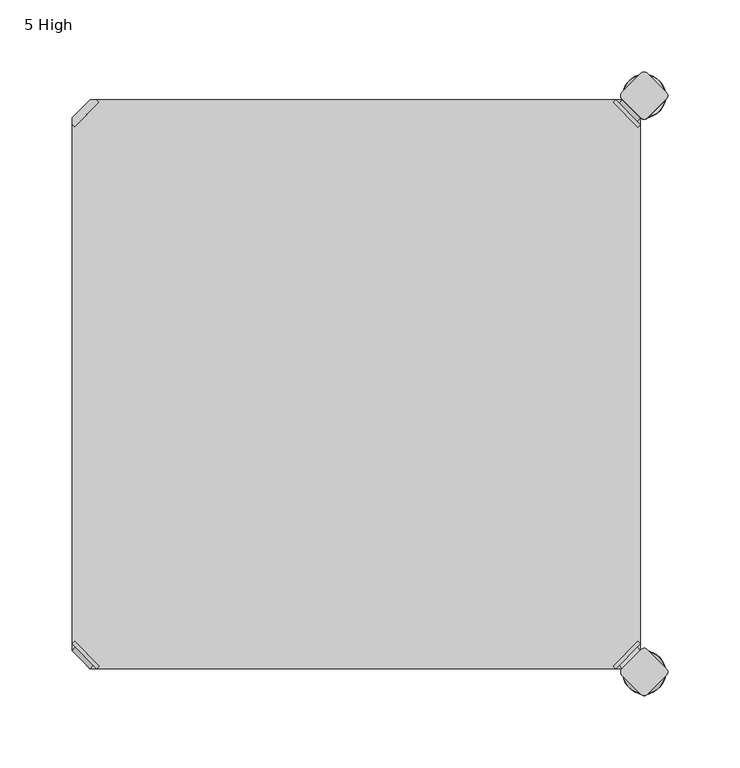
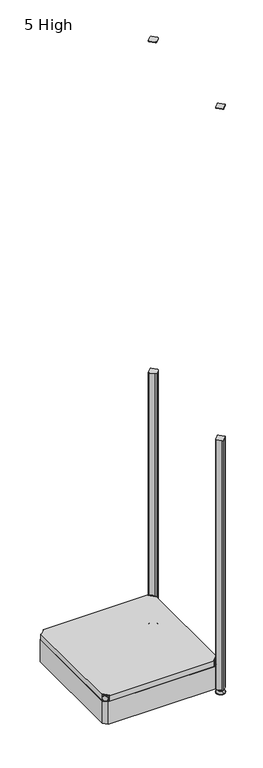
"""IFC4 building model written with IfcOpenShell, lengths in millimetres: furniture geometry, 5 High."""

from ifc_helpers import new_model, si_unit, point, frame, frame_2d, origin, place, context, project, spatial, polyline, circle_curve, ellipse_curve, trimmed, segment, composite_curve, outline, extrude, source, transform, mapped, element, save
from ifc_brep_helpers import plane_surface, cylinder_surface, revolved_surface, advanced_brep


def furniture_5_high_1711bbdc(model_context):
    return source(origin(), model_context, "Body", "SolidModel", [
        advanced_brep(
        [(397.51, 380.2870969, 118.9736), (380.2870969, 397.51, 118.9736), (378.4910456, 395.7139488, 118.9736), (395.7139488, 378.4910456, 118.9736), (397.51, 380.2870969, 97.6376), (380.2870969, 397.51, 97.6376), (395.1847277, 382.6123691, 108.8136), (382.6123691, 395.1847277, 108.8136), (369.7579478, 352.5350447, 98.6536), (395.7139488, 378.4910456, 98.6536), (378.4910456, 395.7139488, 98.6536), (352.5350447, 369.7579478, 98.6536), (369.7579478, 352.5350447, 97.6376), (352.5350447, 369.7579478, 97.6376), (384.9272487, 397.4996073, 108.8136), (397.4996073, 384.9272487, 108.8136)],
        [
            (0, 1),
            (1, 2),
            (2, 3),
            (3, 0),
            (0, 4),
            (4, 5),
            (5, 1),
            (6, 7, circle_curve(frame((388.8985484, 388.8985484, 108.8136), z_axis=(-0.7071067811865446, -0.7071067811865505, 0.0), x_axis=(0.7071067811865505, -0.7071067811865446, 0.0)), 8.89)),
            (7, 6, circle_curve(frame((388.8985484, 388.8985484, 108.8136), z_axis=(-0.7071067811865446, -0.7071067811865505, 0.0), x_axis=(0.7071067811865505, -0.7071067811865446, 0.0)), 8.89)),
            (8, 9),
            (9, 10),
            (10, 11),
            (11, 8, circle_curve(frame((361.1464963, 361.1464963, 98.6536), z_axis=(0.0, 0.0, 1.0), x_axis=(-1.0, 0.0, 0.0)), 12.1784316)),
            (12, 13, circle_curve(frame((361.1464963, 361.1464963, 97.6376), z_axis=(0.0, 0.0, -1.0), x_axis=(-1.0, 0.0, 0.0)), 12.1784316)),
            (13, 5),
            (4, 12),
            (14, 15, circle_curve(frame((391.213428, 391.213428, 108.8136), z_axis=(0.7071067811865446, 0.7071067811865505, 0.0), x_axis=(0.7071067811865505, -0.7071067811865446, 0.0)), 8.89)),
            (15, 14, circle_curve(frame((391.213428, 391.213428, 108.8136), z_axis=(0.7071067811865446, 0.7071067811865505, 0.0), x_axis=(0.7071067811865505, -0.7071067811865446, 0.0)), 8.89)),
            (15, 6),
            (7, 14),
            (2, 10),
            (9, 3),
            (11, 13),
            (12, 8),
        ],
        [
            plane_surface(frame((419.7079872, 402.485084, 118.9736), z_axis=(0.0, 0.0, 1.0000000000000002), x_axis=(-0.7071067811865436, -0.7071067811865516, 0.0))),
            plane_surface(frame((380.2870969, 397.51, 118.9736), z_axis=(0.7071067811865447, 0.7071067811865503, 0.0), x_axis=(0.0, 0.0, -1.0))),
            plane_surface(frame((348.9680647, 361.1464963, 98.6536), z_axis=(0.0, 0.0, 1.0), x_axis=(0.0, 1.0, 0.0))),
            plane_surface(frame((348.9680647, 361.1464963, 97.6376), z_axis=(0.0, 0.0, -1.0), x_axis=(0.0, -1.0, 0.0))),
            plane_surface(frame((397.4996073, 384.9272487, 108.8136), z_axis=(0.7071067811865446, 0.7071067811865505, 0.0), x_axis=(0.0, 0.0, 1.0))),
            cylinder_surface(frame((388.8985484, 388.8985484, 108.8136), z_axis=(0.7071067811865446, 0.7071067811865505, 0.0), x_axis=(0.7071067811865505, -0.7071067811865446, 0.0)), 8.89),
            plane_surface(frame((395.7139488, 378.4910456, 118.9736), z_axis=(-0.7071067811865447, -0.7071067811865503, 0.0), x_axis=(0.0, 0.0, -1.0))),
            cylinder_surface(frame((361.1464963, 361.1464963, 97.6376), z_axis=(0.0, 0.0, 1.0), x_axis=(-1.0, 0.0, 0.0)), 12.1784316),
            plane_surface(frame((397.51, 380.2870969, 118.9736), z_axis=(0.7071067811865516, -0.7071067811865436, 0.0), x_axis=(0.0, 0.0, -1.0))),
            plane_surface(frame((378.4910456, 395.7139488, 118.9736), z_axis=(-0.7071067811865513, 0.7071067811865437, 0.0), x_axis=(0.0, 0.0, -1.0))),
        ],
        [
            (0, [[1, 2, 3, 4]]),
            (1, [[5, 6, 7, -1], [8, 9]]),
            (2, [[10, 11, 12, 13]]),
            (3, [[14, 15, -6, 16]]),
            (4, [[17, 18]]),
            (5, [[19, -9, 20, -18]]),
            (5, [[-20, -8, -19, -17]]),
            (6, [[21, -11, 22, -3]]),
            (7, [[23, -14, 24, -13]]),
            (8, [[-22, -10, -24, -16, -5, -4]]),
            (9, [[-7, -15, -23, -12, -21, -2]]),
        ],
    ),
        advanced_brep(
        [(397.51, 19.7629031, 118.9736), (395.7139488, 21.5589544, 118.9736), (378.4910456, 4.3360512, 118.9736), (380.2870969, 2.54, 118.9736), (380.2870969, 2.54, 97.6376), (397.51, 19.7629031, 97.6376), (395.1847277, 17.4376309, 108.8136), (382.6123691, 4.8652723, 108.8136), (369.7579478, 47.5149553, 98.6536), (352.5350447, 30.2920522, 98.6536), (378.4910456, 4.3360512, 98.6536), (395.7139488, 21.5589544, 98.6536), (369.7579478, 47.5149553, 97.6376), (352.5350447, 30.2920522, 97.6376), (384.9272487, 2.5503927, 108.8136), (397.4996073, 15.1227513, 108.8136)],
        [
            (0, 1),
            (1, 2),
            (2, 3),
            (3, 0),
            (3, 4),
            (4, 5),
            (5, 0),
            (6, 7, circle_curve(frame((388.8985484, 11.1514516, 108.8136), z_axis=(-0.7071067811865469, 0.7071067811865481, 0.0), x_axis=(0.7071067811865481, 0.7071067811865469, 0.0)), 8.89)),
            (7, 6, circle_curve(frame((388.8985484, 11.1514516, 108.8136), z_axis=(-0.7071067811865469, 0.7071067811865481, 0.0), x_axis=(0.7071067811865481, 0.7071067811865469, 0.0)), 8.89)),
            (8, 9, circle_curve(frame((361.1464963, 38.9035037, 98.6536), z_axis=(0.0, 0.0, 1.0), x_axis=(-1.0, 0.0, 0.0)), 12.1784316)),
            (9, 10),
            (10, 11),
            (11, 8),
            (12, 5),
            (4, 13),
            (13, 12, circle_curve(frame((361.1464963, 38.9035037, 97.6376), z_axis=(0.0, 0.0, -1.0), x_axis=(-1.0, 0.0, 0.0)), 12.1784316)),
            (14, 15, circle_curve(frame((391.213428, 8.836572, 108.8136), z_axis=(0.7071067811865469, -0.7071067811865481, 0.0), x_axis=(0.7071067811865481, 0.7071067811865469, 0.0)), 8.89)),
            (15, 14, circle_curve(frame((391.213428, 8.836572, 108.8136), z_axis=(0.7071067811865469, -0.7071067811865481, 0.0), x_axis=(0.7071067811865481, 0.7071067811865469, 0.0)), 8.89)),
            (14, 7),
            (6, 15),
            (1, 11),
            (10, 2),
            (8, 12),
            (13, 9),
        ],
        [
            plane_surface(frame((419.7079872, -2.435084, 118.9736), z_axis=(0.0, 0.0, 1.0000000000000002), x_axis=(-0.7071067811865459, 0.7071067811865492, 0.0))),
            plane_surface(frame((380.2870969, 2.54, 118.9736), z_axis=(0.707106781186547, -0.707106781186548, 0.0), x_axis=(0.0, 0.0, -1.0))),
            plane_surface(frame((348.9680647, 38.9035037, 98.6536), z_axis=(0.0, 0.0, 1.0), x_axis=(0.0, -1.0, 0.0))),
            plane_surface(frame((348.9680647, 38.9035037, 97.6376), z_axis=(0.0, 0.0, -1.0), x_axis=(0.0, 1.0, 0.0))),
            plane_surface(frame((397.4996073, 15.1227513, 108.8136), z_axis=(0.7071067811865469, -0.7071067811865481, 0.0), x_axis=(0.0, 0.0, 1.0))),
            cylinder_surface(frame((388.8985484, 11.1514516, 108.8136), z_axis=(0.7071067811865469, -0.7071067811865481, 0.0), x_axis=(0.7071067811865481, 0.7071067811865469, 0.0)), 8.89),
            plane_surface(frame((395.7139488, 21.5589544, 118.9736), z_axis=(-0.707106781186547, 0.707106781186548, 0.0), x_axis=(0.0, 0.0, -1.0))),
            cylinder_surface(frame((361.1464963, 38.9035037, 97.6376), z_axis=(0.0, 0.0, 1.0), x_axis=(-1.0, 0.0, 0.0)), 12.1784316),
            plane_surface(frame((397.51, 19.7629031, 118.9736), z_axis=(0.7071067811865492, 0.7071067811865459, 0.0), x_axis=(0.0, 0.0, -1.0))),
            plane_surface(frame((378.4910456, 4.3360512, 118.9736), z_axis=(-0.707106781186549, -0.707106781186546, 0.0), x_axis=(0.0, 0.0, -1.0))),
        ],
        [
            (0, [[1, 2, 3, 4]]),
            (1, [[-4, 5, 6, 7], [8, 9]]),
            (2, [[10, 11, 12, 13]]),
            (3, [[14, -6, 15, 16]]),
            (4, [[17, 18]]),
            (5, [[-17, 19, -8, 20]]),
            (5, [[-18, -20, -9, -19]]),
            (6, [[-2, 21, -12, 22]]),
            (7, [[-10, 23, -16, 24]]),
            (8, [[-1, -7, -14, -23, -13, -21]]),
            (9, [[-3, -22, -11, -24, -15, -5]]),
        ],
    ),
        advanced_brep(
        [(2.54, 19.7629031, 118.9736), (19.7629031, 2.54, 118.9736), (21.5589544, 4.3360512, 118.9736), (4.3360512, 21.5589544, 118.9736), (2.54, 19.7629031, 97.6376), (19.7629031, 2.54, 97.6376), (4.8652723, 17.4376309, 108.8136), (17.4376309, 4.8652723, 108.8136), (30.2920522, 47.5149553, 98.6536), (4.3360512, 21.5589544, 98.6536), (21.5589544, 4.3360512, 98.6536), (47.5149553, 30.2920522, 98.6536), (30.2920522, 47.5149553, 97.6376), (47.5149553, 30.2920522, 97.6376), (15.1227513, 2.5503927, 108.8136), (2.5503927, 15.1227513, 108.8136)],
        [
            (0, 1),
            (1, 2),
            (2, 3),
            (3, 0),
            (0, 4),
            (4, 5),
            (5, 1),
            (6, 7, circle_curve(frame((11.1514516, 11.1514516, 108.8136), z_axis=(0.7071067811865469, 0.7071067811865481, 0.0), x_axis=(-0.7071067811865481, 0.7071067811865469, 0.0)), 8.89)),
            (7, 6, circle_curve(frame((11.1514516, 11.1514516, 108.8136), z_axis=(0.7071067811865469, 0.7071067811865481, 0.0), x_axis=(-0.7071067811865481, 0.7071067811865469, 0.0)), 8.89)),
            (8, 9),
            (9, 10),
            (10, 11),
            (11, 8, circle_curve(frame((38.9035037, 38.9035037, 98.6536), z_axis=(0.0, 0.0, 1.0), x_axis=(1.0, 0.0, 0.0)), 12.1784316)),
            (12, 13, circle_curve(frame((38.9035037, 38.9035037, 97.6376), z_axis=(0.0, 0.0, -1.0), x_axis=(1.0, 0.0, 0.0)), 12.1784316)),
            (13, 5),
            (4, 12),
            (14, 15, circle_curve(frame((8.836572, 8.836572, 108.8136), z_axis=(-0.7071067811865469, -0.7071067811865481, 0.0), x_axis=(-0.7071067811865481, 0.7071067811865469, 0.0)), 8.89)),
            (15, 14, circle_curve(frame((8.836572, 8.836572, 108.8136), z_axis=(-0.7071067811865469, -0.7071067811865481, 0.0), x_axis=(-0.7071067811865481, 0.7071067811865469, 0.0)), 8.89)),
            (15, 6),
            (7, 14),
            (2, 10),
            (9, 3),
            (11, 13),
            (12, 8),
        ],
        [
            plane_surface(frame((-19.6579872, -2.435084, 118.9736), z_axis=(0.0, 0.0, 1.0000000000000002), x_axis=(0.7071067811865459, 0.7071067811865492, 0.0))),
            plane_surface(frame((19.7629031, 2.54, 118.9736), z_axis=(-0.707106781186547, -0.707106781186548, 0.0), x_axis=(0.0, 0.0, -1.0))),
            plane_surface(frame((51.0819353, 38.9035037, 98.6536), z_axis=(0.0, 0.0, 1.0), x_axis=(0.0, -1.0, 0.0))),
            plane_surface(frame((51.0819353, 38.9035037, 97.6376), z_axis=(0.0, 0.0, -1.0), x_axis=(0.0, 1.0, 0.0))),
            plane_surface(frame((2.5503927, 15.1227513, 108.8136), z_axis=(-0.7071067811865469, -0.7071067811865481, 0.0), x_axis=(0.0, 0.0, 1.0))),
            cylinder_surface(frame((11.1514516, 11.1514516, 108.8136), z_axis=(-0.7071067811865469, -0.7071067811865481, 0.0), x_axis=(-0.7071067811865481, 0.7071067811865469, 0.0)), 8.89),
            plane_surface(frame((4.3360512, 21.5589544, 118.9736), z_axis=(0.707106781186547, 0.707106781186548, 0.0), x_axis=(0.0, 0.0, -1.0))),
            cylinder_surface(frame((38.9035037, 38.9035037, 97.6376), z_axis=(0.0, 0.0, 1.0), x_axis=(1.0, 0.0, 0.0)), 12.1784316),
            plane_surface(frame((2.54, 19.7629031, 118.9736), z_axis=(-0.7071067811865492, 0.7071067811865459, 0.0), x_axis=(0.0, 0.0, -1.0))),
            plane_surface(frame((21.5589544, 4.3360512, 118.9736), z_axis=(0.707106781186549, -0.707106781186546, 0.0), x_axis=(0.0, 0.0, -1.0))),
        ],
        [
            (0, [[1, 2, 3, 4]]),
            (1, [[5, 6, 7, -1], [8, 9]]),
            (2, [[10, 11, 12, 13]]),
            (3, [[14, 15, -6, 16]]),
            (4, [[17, 18]]),
            (5, [[19, -9, 20, -18]]),
            (5, [[-20, -8, -19, -17]]),
            (6, [[21, -11, 22, -3]]),
            (7, [[23, -14, 24, -13]]),
            (8, [[-22, -10, -24, -16, -5, -4]]),
            (9, [[-7, -15, -23, -12, -21, -2]]),
        ],
    ),
        extrude(outline(polyline([(19.7629031, 2.54), (21.5589544, 4.3360512), (4.3360512, 21.5589544), (2.54, 19.7629031), (2.54, 380.2870969), (4.3360512, 378.4910456), (21.5589544, 395.7139488), (19.7629031, 397.51), (380.2870969, 397.51), (378.4910456, 395.7139488), (395.7139488, 378.4910456), (397.51, 380.2870969), (397.51, 19.7629031), (395.7139488, 21.5589544), (378.4910456, 4.3360512), (380.2870969, 2.54), (19.7629031, 2.54)])), frame((0.0, 0.0, 98.6536), z_axis=(0.0, 0.0, 1.0), x_axis=(1.0, 0.0, 0.0)), (0.0, 0.0, 1.0), 20.32),
        extrude(outline(composite_curve([segment(polyline([(402.295064, 15.4326055), (415.4826055, 2.245064)]), True, "CONTINUOUS"), segment(trimmed(circle_curve(frame_2d((413.2375415, 0.0)), 3.175), [point((415.4826055, 2.245064))], [point((415.4826055, -2.245064))], False, "CARTESIAN"), True, "CONTINUOUS"), segment(polyline([(415.4826055, -2.245064), (402.295064, -15.4326055)]), True, "CONTINUOUS"), segment(trimmed(circle_curve(frame_2d((400.05, -13.1875415)), 3.175), [point((402.295064, -15.4326055))], [point((397.804936, -15.4326055))], False, "CARTESIAN"), True, "CONTINUOUS"), segment(polyline([(397.804936, -15.4326055), (384.6173945, -2.245064)]), True, "CONTINUOUS"), segment(trimmed(circle_curve(frame_2d((386.8624585, 0.0)), 3.175), [point((384.6173945, -2.245064))], [point((384.6173945, 2.245064))], False, "CARTESIAN"), True, "CONTINUOUS"), segment(polyline([(384.6173945, 2.245064), (397.804936, 15.4326055)]), True, "CONTINUOUS"), segment(trimmed(circle_curve(frame_2d((400.05, 13.1875415)), 3.175), [point((397.804936, 15.4326055))], [point((402.295064, 15.4326055))], False, "CARTESIAN"), True, "CONTINUOUS")], self_intersect=False)), frame((0.0, 0.0, 2127.25), z_axis=(0.0, 0.0, 1.0), x_axis=(1.0, 0.0, 0.0)), (0.0, 0.0, 1.0), 2.032),
        extrude(outline(composite_curve([segment(trimmed(circle_curve(frame_2d((400.05, 386.8624585)), 3.175), [point((402.295064, 384.6173945))], [point((397.804936, 384.6173945))], False, "CARTESIAN"), True, "CONTINUOUS"), segment(polyline([(397.804936, 384.6173945), (384.6173945, 397.804936)]), True, "CONTINUOUS"), segment(trimmed(circle_curve(frame_2d((386.8624585, 400.05)), 3.175), [point((384.6173945, 397.804936))], [point((384.6173945, 402.295064))], False, "CARTESIAN"), True, "CONTINUOUS"), segment(polyline([(384.6173945, 402.295064), (397.804936, 415.4826055)]), True, "CONTINUOUS"), segment(trimmed(circle_curve(frame_2d((400.05, 413.2375415)), 3.175), [point((397.804936, 415.4826055))], [point((402.295064, 415.4826055))], False, "CARTESIAN"), True, "CONTINUOUS"), segment(polyline([(402.295064, 415.4826055), (415.4826055, 402.295064)]), True, "CONTINUOUS"), segment(trimmed(circle_curve(frame_2d((413.2375415, 400.05)), 3.175), [point((415.4826055, 402.295064))], [point((415.4826055, 397.804936))], False, "CARTESIAN"), True, "CONTINUOUS"), segment(polyline([(415.4826055, 397.804936), (402.295064, 384.6173945)]), True, "CONTINUOUS")], self_intersect=False)), frame((0.0, 0.0, 2127.25), z_axis=(0.0, 0.0, 1.0), x_axis=(1.0, 0.0, 0.0)), (0.0, 0.0, 1.0), 2.032),
        extrude(outline(polyline([(2.54, 384.9123305), (15.1376695, 397.51), (384.9123305, 397.51), (397.51, 384.9123305), (397.51, 15.1376695), (384.9123305, 2.54), (15.1376695, 2.54), (2.54, 15.1376695), (2.54, 384.9123305)]), holes=[polyline([(12.7, 15.748), (387.35, 15.748), (387.35, 387.35), (12.7, 387.35), (12.7, 15.748)])]), frame((0.0, 0.0, 15.9766), z_axis=(0.0, 0.0, 1.0), x_axis=(1.0, 0.0, 0.0)), (0.0, 0.0, 1.0), 81.28),
        advanced_brep(
        [(400.05, -3.999659, 15.9766), (400.05, 0.0, 15.9766), (400.05, 3.999659, 15.9766), (400.05, -3.999659, 12.6000054), (400.05, 3.999659, 12.6000054), (400.05, -5.8601455, 12.6000054), (400.05, 5.8601455, 12.6000054), (400.05, -6.4951462, 11.9650074), (400.05, 6.4951462, 11.9650074), (400.05, -6.4951462, 9.0000124), (400.05, 6.4951462, 9.0000124), (400.05, -8.7421976, 9.0000124), (400.05, 8.7421976, 9.0000124), (400.05, -14.7060077, 2.3275608), (400.05, 14.7060077, 2.3275608), (400.05, -13.664601, 0.0), (400.05, 13.664601, 0.0), (400.05, 0.0, 0.0)],
        [
            (0, 1),
            (1, 2),
            (2, 0, circle_curve(frame((400.05, 0.0, 15.9766), z_axis=(0.0, 0.0, 1.0), x_axis=(0.0, 1.0, 0.0)), 3.999659)),
            (0, 2, circle_curve(frame((400.05, 0.0, 15.9766), z_axis=(0.0, 0.0, 1.0), x_axis=(0.0, 1.0, 0.0)), 3.999659)),
            (3, 0),
            (2, 4),
            (4, 3, circle_curve(frame((400.05, 0.0, 12.6000054), z_axis=(0.0, 0.0, 1.0), x_axis=(0.0, 1.0, 0.0)), 3.999659)),
            (3, 4, circle_curve(frame((400.05, 0.0, 12.6000054), z_axis=(0.0, 0.0, 1.0), x_axis=(0.0, 1.0, 0.0)), 3.999659)),
            (5, 3),
            (4, 6),
            (6, 5, circle_curve(frame((400.05, 0.0, 12.6000054), z_axis=(0.0, 0.0, 1.0), x_axis=(0.0, 1.0, 0.0)), 5.8601455)),
            (5, 6, circle_curve(frame((400.05, 0.0, 12.6000054), z_axis=(0.0, 0.0, 1.0), x_axis=(0.0, 1.0, 0.0)), 5.8601455)),
            (7, 5, circle_curve(frame((400.05, -5.8601462, 11.9650074), z_axis=(-1.0, 0.0, 0.0), x_axis=(0.0, -1.0, 0.0)), 0.635)),
            (6, 8, circle_curve(frame((400.05, 5.8601462, 11.9650074), z_axis=(-1.0, 0.0, 0.0), x_axis=(0.0, 1.0, 0.0)), 0.635)),
            (8, 7, circle_curve(frame((400.05, 0.0, 11.9650074), z_axis=(0.0, 0.0, 1.0), x_axis=(0.0, 1.0, 0.0)), 6.4951462)),
            (7, 8, circle_curve(frame((400.05, 0.0, 11.9650074), z_axis=(0.0, 0.0, 1.0), x_axis=(0.0, 1.0, 0.0)), 6.4951462)),
            (9, 7),
            (8, 10),
            (10, 9, circle_curve(frame((400.05, 0.0, 9.0000124), z_axis=(0.0, 0.0, 1.0), x_axis=(0.0, 1.0, 0.0)), 6.4951462)),
            (9, 10, circle_curve(frame((400.05, 0.0, 9.0000124), z_axis=(0.0, 0.0, 1.0), x_axis=(0.0, 1.0, 0.0)), 6.4951462)),
            (11, 9),
            (10, 12),
            (12, 11, circle_curve(frame((400.05, 0.0, 9.0000124), z_axis=(0.0, 0.0, 1.0), x_axis=(0.0, 1.0, 0.0)), 8.7421976)),
            (11, 12, circle_curve(frame((400.05, 0.0, 9.0000124), z_axis=(0.0, 0.0, 1.0), x_axis=(0.0, 1.0, 0.0)), 8.7421976)),
            (13, 11),
            (12, 14),
            (14, 13, circle_curve(frame((400.05, 0.0, 2.3275608), z_axis=(0.0, 0.0, 1.0), x_axis=(0.0, 1.0, 0.0)), 14.7060077)),
            (13, 14, circle_curve(frame((400.05, 0.0, 2.3275608), z_axis=(0.0, 0.0, 1.0), x_axis=(0.0, 1.0, 0.0)), 14.7060077)),
            (15, 13, circle_curve(frame((400.05, -13.664601, 1.3967556), z_axis=(-1.0, 0.0, 0.0), x_axis=(0.0, -1.0, 0.0)), 1.3967556)),
            (14, 16, circle_curve(frame((400.05, 13.664601, 1.3967556), z_axis=(-1.0, 0.0, 0.0), x_axis=(0.0, 1.0, 0.0)), 1.3967556)),
            (16, 15, circle_curve(frame((400.05, 0.0, 0.0), z_axis=(0.0, 0.0, 1.0), x_axis=(0.0, 1.0, 0.0)), 13.664601)),
            (15, 16, circle_curve(frame((400.05, 0.0, 0.0), z_axis=(0.0, 0.0, 1.0), x_axis=(0.0, 1.0, 0.0)), 13.664601)),
            (17, 15),
            (16, 17),
        ],
        [
            plane_surface(frame((400.05, 0.0, 15.9766), z_axis=(0.0, 0.0, 1.0), x_axis=(0.0, 1.0, 0.0))),
            cylinder_surface(frame((400.05, 0.0, -4.132372), z_axis=(0.0, 0.0, -1.0), x_axis=(0.0, 1.0, 0.0)), 3.999659),
            plane_surface(frame((400.05, 0.0, 12.6000054), z_axis=(0.0, 0.0, 1.0), x_axis=(0.0, 1.0, 0.0))),
            revolved_surface(trimmed(ellipse_curve(frame((400.05, 5.8601462, 11.9650074), z_axis=(-1.0, 0.0, 0.0), x_axis=(0.0, 1.0, 0.0)), 0.635, 0.635), [point((400.05, 5.8601455, 12.6000074))], [point((400.05, 6.4951462, 11.9650074))], True, "CARTESIAN"), (400.05, 0.0, -4.132372), (0.0, 0.0, -1.0)),
            cylinder_surface(frame((400.05, 0.0, -4.132372), z_axis=(0.0, 0.0, -1.0), x_axis=(0.0, 1.0, 0.0)), 6.4951462),
            plane_surface(frame((400.05, 0.0, 9.0000124), z_axis=(0.0, 0.0, 1.0), x_axis=(0.0, 1.0, 0.0))),
            revolved_surface(polyline([(400.05, 8.7421976, 9.0000124), (400.05, 14.7060077, 2.3275608)]), (400.05, 0.0, -4.132372), (0.0, 0.0, -1.0)),
            revolved_surface(trimmed(ellipse_curve(frame((400.05, 13.664601, 1.3967556), z_axis=(-1.0, 0.0, 0.0), x_axis=(0.0, 1.0, 0.0)), 1.3967556, 1.3967556), [point((400.05, 14.7060077, 2.3275608))], [point((400.05, 13.664601, 0.0))], True, "CARTESIAN"), (400.05, 0.0, -4.132372), (0.0, 0.0, -1.0)),
            plane_surface(frame((400.05, 0.0, 0.0), z_axis=(0.0, 0.0, -1.0), x_axis=(0.0, 1.0, 0.0))),
        ],
        [
            (0, [[1, 2, 3]]),
            (0, [[-2, -1, 4]]),
            (1, [[5, -3, 6, 7]]),
            (1, [[-6, -4, -5, 8]]),
            (2, [[9, -7, 10, 11]]),
            (2, [[-10, -8, -9, 12]]),
            (3, [[13, -11, 14, 15]]),
            (3, [[-14, -12, -13, 16]]),
            (4, [[17, -15, 18, 19]]),
            (4, [[-18, -16, -17, 20]]),
            (5, [[21, -19, 22, 23]]),
            (5, [[-22, -20, -21, 24]]),
            (6, [[25, -23, 26, 27]]),
            (6, [[-26, -24, -25, 28]]),
            (7, [[29, -27, 30, 31]]),
            (7, [[-30, -28, -29, 32]]),
            (8, [[33, -31, 34]]),
            (8, [[-34, -32, -33]]),
        ],
    ),
        advanced_brep(
        [(400.05, 400.05, 15.9766), (400.05, 404.049659, 15.9766), (400.05, 396.050341, 15.9766), (400.05, 404.049659, 12.6000054), (400.05, 396.050341, 12.6000054), (400.05, 405.9101455, 12.6000074), (400.05, 394.1898545, 12.6000074), (400.05, 406.5451462, 11.9650074), (400.05, 393.5548538, 11.9650074), (400.05, 406.5451462, 9.0000124), (400.05, 393.5548538, 9.0000124), (400.05, 408.7921976, 9.0000124), (400.05, 391.3078024, 9.0000124), (400.05, 414.7560077, 2.3275608), (400.05, 385.3439923, 2.3275608), (400.05, 413.714601, 0.0), (400.05, 386.385399, 0.0), (400.05, 400.05, 0.0)],
        [
            (0, 1),
            (1, 2, circle_curve(frame((400.05, 400.05, 15.9766), z_axis=(0.0, 0.0, 1.0), x_axis=(0.0, -1.0, 0.0)), 3.999659)),
            (2, 0),
            (2, 1, circle_curve(frame((400.05, 400.05, 15.9766), z_axis=(0.0, 0.0, 1.0), x_axis=(0.0, -1.0, 0.0)), 3.999659)),
            (1, 3),
            (3, 4, circle_curve(frame((400.05, 400.05, 12.6000054), z_axis=(0.0, 0.0, 1.0), x_axis=(0.0, -1.0, 0.0)), 3.999659)),
            (4, 2),
            (4, 3, circle_curve(frame((400.05, 400.05, 12.6000054), z_axis=(0.0, 0.0, 1.0), x_axis=(0.0, -1.0, 0.0)), 3.999659)),
            (3, 5),
            (5, 6, circle_curve(frame((400.05, 400.05, 12.6000074), z_axis=(0.0, 0.0, 1.0), x_axis=(0.0, -1.0, 0.0)), 5.8601455)),
            (6, 4),
            (6, 5, circle_curve(frame((400.05, 400.05, 12.6000074), z_axis=(0.0, 0.0, 1.0), x_axis=(0.0, -1.0, 0.0)), 5.8601455)),
            (5, 7, circle_curve(frame((400.05, 405.9101462, 11.9650074), z_axis=(-1.0, 0.0, 0.0), x_axis=(0.0, 1.0, 0.0)), 0.635)),
            (7, 8, circle_curve(frame((400.05, 400.05, 11.9650074), z_axis=(0.0, 0.0, 1.0), x_axis=(0.0, -1.0, 0.0)), 6.4951462)),
            (8, 6, circle_curve(frame((400.05, 394.1898538, 11.9650074), z_axis=(-1.0, 0.0, 0.0), x_axis=(0.0, -1.0, 0.0)), 0.635)),
            (8, 7, circle_curve(frame((400.05, 400.05, 11.9650074), z_axis=(0.0, 0.0, 1.0), x_axis=(0.0, -1.0, 0.0)), 6.4951462)),
            (7, 9),
            (9, 10, circle_curve(frame((400.05, 400.05, 9.0000124), z_axis=(0.0, 0.0, 1.0), x_axis=(0.0, -1.0, 0.0)), 6.4951462)),
            (10, 8),
            (10, 9, circle_curve(frame((400.05, 400.05, 9.0000124), z_axis=(0.0, 0.0, 1.0), x_axis=(0.0, -1.0, 0.0)), 6.4951462)),
            (9, 11),
            (11, 12, circle_curve(frame((400.05, 400.05, 9.0000124), z_axis=(0.0, 0.0, 1.0), x_axis=(0.0, -1.0, 0.0)), 8.7421976)),
            (12, 10),
            (12, 11, circle_curve(frame((400.05, 400.05, 9.0000124), z_axis=(0.0, 0.0, 1.0), x_axis=(0.0, -1.0, 0.0)), 8.7421976)),
            (11, 13),
            (13, 14, circle_curve(frame((400.05, 400.05, 2.3275608), z_axis=(0.0, 0.0, 1.0), x_axis=(0.0, -1.0, 0.0)), 14.7060077)),
            (14, 12),
            (14, 13, circle_curve(frame((400.05, 400.05, 2.3275608), z_axis=(0.0, 0.0, 1.0), x_axis=(0.0, -1.0, 0.0)), 14.7060077)),
            (13, 15, circle_curve(frame((400.05, 413.714601, 1.3967556), z_axis=(-1.0, 0.0, 0.0), x_axis=(0.0, 1.0, 0.0)), 1.3967556)),
            (15, 16, circle_curve(frame((400.05, 400.05, 0.0), z_axis=(0.0, 0.0, 1.0), x_axis=(0.0, -1.0, 0.0)), 13.664601)),
            (16, 14, circle_curve(frame((400.05, 386.385399, 1.3967556), z_axis=(-1.0, 0.0, 0.0), x_axis=(0.0, -1.0, 0.0)), 1.3967556)),
            (16, 15, circle_curve(frame((400.05, 400.05, 0.0), z_axis=(0.0, 0.0, 1.0), x_axis=(0.0, -1.0, 0.0)), 13.664601)),
            (15, 17),
            (17, 16),
        ],
        [
            plane_surface(frame((400.05, 400.05, 15.9766), z_axis=(0.0, 0.0, 1.0), x_axis=(0.0, -1.0, 0.0))),
            cylinder_surface(frame((400.05, 400.05, -4.132372), z_axis=(0.0, 0.0, 1.0), x_axis=(0.0, -1.0, 0.0)), 3.999659),
            plane_surface(frame((400.05, 400.05, 12.6000074), z_axis=(0.0, 0.0, 1.0), x_axis=(0.0, -1.0, 0.0))),
            revolved_surface(trimmed(ellipse_curve(frame((400.05, 394.1898538, 11.9650074), z_axis=(-1.0, 0.0, 0.0), x_axis=(0.0, -1.0, 0.0)), 0.635, 0.635), [point((400.05, 393.5548538, 11.9650074))], [point((400.05, 394.1898545, 12.6000074))], True, "CARTESIAN"), (400.05, 400.05, -4.132372), (0.0, 0.0, 1.0)),
            cylinder_surface(frame((400.05, 400.05, -4.132372), z_axis=(0.0, 0.0, 1.0), x_axis=(0.0, -1.0, 0.0)), 6.4951462),
            plane_surface(frame((400.05, 400.05, 9.0000124), z_axis=(0.0, 0.0, 1.0), x_axis=(0.0, -1.0, 0.0))),
            revolved_surface(polyline([(400.05, 385.3439923, 2.3275608), (400.05, 391.3078024, 9.0000124)]), (400.05, 400.05, -4.132372), (0.0, 0.0, 1.0)),
            revolved_surface(trimmed(ellipse_curve(frame((400.05, 386.385399, 1.3967556), z_axis=(-1.0, 0.0, 0.0), x_axis=(0.0, -1.0, 0.0)), 1.3967556, 1.3967556), [point((400.05, 386.385399, 0.0))], [point((400.05, 385.3439923, 2.3275608))], True, "CARTESIAN"), (400.05, 400.05, -4.132372), (0.0, 0.0, 1.0)),
            plane_surface(frame((400.05, 400.05, 0.0), z_axis=(0.0, 0.0, -1.0), x_axis=(0.0, -1.0, 0.0))),
        ],
        [
            (0, [[1, 2, 3]]),
            (0, [[-3, 4, -1]]),
            (1, [[5, 6, 7, -2]]),
            (1, [[-7, 8, -5, -4]]),
            (2, [[9, 10, 11, -6]]),
            (2, [[-11, 12, -9, -8]]),
            (3, [[13, 14, 15, -10]]),
            (3, [[-15, 16, -13, -12]]),
            (4, [[17, 18, 19, -14]]),
            (4, [[-19, 20, -17, -16]]),
            (5, [[21, 22, 23, -18]]),
            (5, [[-23, 24, -21, -20]]),
            (6, [[25, 26, 27, -22]]),
            (6, [[-27, 28, -25, -24]]),
            (7, [[29, 30, 31, -26]]),
            (7, [[-31, 32, -29, -28]]),
            (8, [[33, 34, -30]]),
            (8, [[-34, -33, -32]]),
        ],
    ),
        extrude(outline(composite_curve([segment(polyline([(402.295064, 15.4326055), (415.4826055, 2.245064)]), True, "CONTINUOUS"), segment(trimmed(circle_curve(frame_2d((413.2375415, 0.0)), 3.175), [point((415.4826055, 2.245064))], [point((415.4826055, -2.245064))], False, "CARTESIAN"), True, "CONTINUOUS"), segment(polyline([(415.4826055, -2.245064), (402.295064, -15.4326055)]), True, "CONTINUOUS"), segment(trimmed(circle_curve(frame_2d((400.05, -13.1875415)), 3.175), [point((402.295064, -15.4326055))], [point((397.804936, -15.4326055))], False, "CARTESIAN"), True, "CONTINUOUS"), segment(polyline([(397.804936, -15.4326055), (384.6173945, -2.245064)]), True, "CONTINUOUS"), segment(trimmed(circle_curve(frame_2d((386.8624585, 0.0)), 3.175), [point((384.6173945, -2.245064))], [point((384.6173945, 2.245064))], False, "CARTESIAN"), True, "CONTINUOUS"), segment(polyline([(384.6173945, 2.245064), (397.804936, 15.4326055)]), True, "CONTINUOUS"), segment(trimmed(circle_curve(frame_2d((400.05, 13.1875415)), 3.175), [point((397.804936, 15.4326055))], [point((402.295064, 15.4326055))], False, "CARTESIAN"), True, "CONTINUOUS")], self_intersect=False)), frame((0.0, 0.0, 15.9766), z_axis=(0.0, 0.0, 1.0), x_axis=(1.0, 0.0, 0.0)), (0.0, 0.0, 1.0), 907.3134),
        extrude(outline(composite_curve([segment(trimmed(circle_curve(frame_2d((400.05, 386.8624585)), 3.175), [point((402.295064, 384.6173945))], [point((397.804936, 384.6173945))], False, "CARTESIAN"), True, "CONTINUOUS"), segment(polyline([(397.804936, 384.6173945), (384.6173945, 397.804936)]), True, "CONTINUOUS"), segment(trimmed(circle_curve(frame_2d((386.8624585, 400.05)), 3.175), [point((384.6173945, 397.804936))], [point((384.6173945, 402.295064))], False, "CARTESIAN"), True, "CONTINUOUS"), segment(polyline([(384.6173945, 402.295064), (397.804936, 415.4826055)]), True, "CONTINUOUS"), segment(trimmed(circle_curve(frame_2d((400.05, 413.2375415)), 3.175), [point((397.804936, 415.4826055))], [point((402.295064, 415.4826055))], False, "CARTESIAN"), True, "CONTINUOUS"), segment(polyline([(402.295064, 415.4826055), (415.4826055, 402.295064)]), True, "CONTINUOUS"), segment(trimmed(circle_curve(frame_2d((413.2375415, 400.05)), 3.175), [point((415.4826055, 402.295064))], [point((415.4826055, 397.804936))], False, "CARTESIAN"), True, "CONTINUOUS"), segment(polyline([(415.4826055, 397.804936), (402.295064, 384.6173945)]), True, "CONTINUOUS")], self_intersect=False)), frame((0.0, 0.0, 15.9766), z_axis=(0.0, 0.0, 1.0), x_axis=(1.0, 0.0, 0.0)), (0.0, 0.0, 1.0), 907.3134),
    ])


if __name__ == "__main__":
    model = new_model("IFC4")
    model_context = context("Model", 3, world=origin())
    ifc_project = project(units=[si_unit("LENGTHUNIT", "METRE", prefix="MILLI")], contexts=[model_context])
    site = spatial("IfcSite", under=ifc_project)
    building = spatial("IfcBuilding", under=site)
    placement = place(None, origin())
    furniture_5_high_shape = furniture_5_high_1711bbdc(model_context)
    element("IfcFurniture", 1, ObjectType="5 High", at=placement, inside=building, context=model_context, shape_type="MappedRepresentation", body=[
        mapped(furniture_5_high_shape, transform((0.0, 0.0, 0.0), x_axis=(1.0, 0.0, 0.0), y_axis=(0.0, 1.0, 0.0), z_axis=(0.0, 0.0, 1.0))),
    ])
    save(model, "model.ifc")
